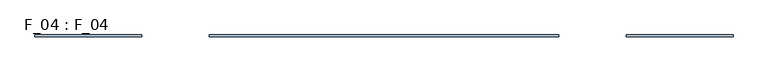
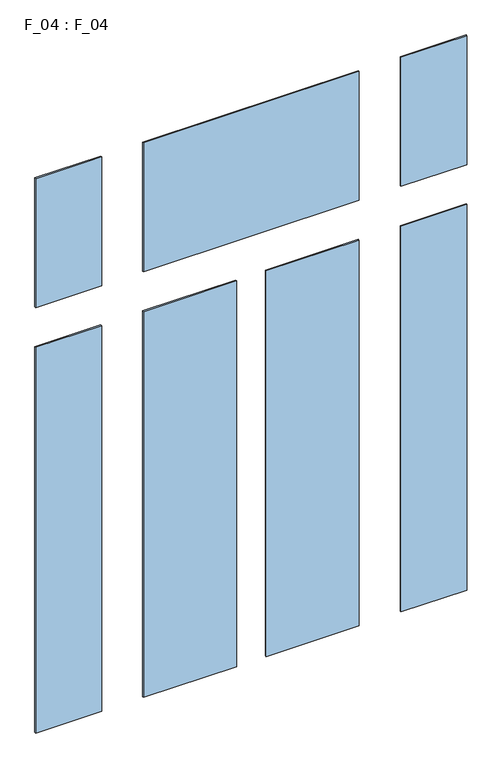
"""IFC4 building model written with IfcOpenShell, lengths in millimetres: window geometry, F_04 : F_04."""

import ifcopenshell
import ifcopenshell.guid

model = None  # the IFC model being written
_history = None  # IfcOwnerHistory: only IFC2X3 demands one
_inside = {}  # id of a spatial element -> (the spatial element, [elements in it])
_under = {}  # id of a project, library or spatial element -> (it, [spatial elements below it])
_declared = {}  # id of a project -> (the project, [libraries it declares])
_typed = {}  # id of a type object -> (the type object, [elements of that type])
_made_of = {}  # id of a material, layer set ... -> (it, [elements and type objects made of it])


def new_model(schema):
    """Start an empty IFC model of exactly this schema.

    Asked for "IFC4X3", IfcOpenShell would pick the latest addendum, in which some entities
    have other attributes; the version numbers below select the first issue.
    IFC2X3 requires an IfcOwnerHistory on every rooted entity: one is made here for all.
    """
    global model, _history
    if schema == "IFC4X3":
        model = ifcopenshell.file(schema_version=(4, 3, 0, 0))
    else:
        model = ifcopenshell.file(schema=schema)
    _inside.clear()
    _under.clear()
    _declared.clear()
    _typed.clear()
    _made_of.clear()
    _history = None
    if model.schema == "IFC2X3":
        org = make("IfcOrganization", Name="unknown")
        user = make(
            "IfcPersonAndOrganization",
            ThePerson=make("IfcPerson", FamilyName="unknown"),
            TheOrganization=org,
        )
        app = make(
            "IfcApplication",
            ApplicationDeveloper=org,
            Version="unknown",
            ApplicationFullName="unknown",
            ApplicationIdentifier="unknown",
        )
        _history = make(
            "IfcOwnerHistory",
            OwningUser=user,
            OwningApplication=app,
            ChangeAction="ADDED",
            CreationDate=0,
        )
    return model


def make(cls, **values):
    """One entity of the class cls with the attributes given. An attribute that is None is left unset."""
    return model.create_entity(
        cls, **{name: value for name, value in values.items() if value is not None}
    )


def rooted(cls, **values):
    """An entity with a GlobalId (a new one), such as an element, a storey or a relation."""
    return make(cls, GlobalId=ifcopenshell.guid.new(), OwnerHistory=_history, **values)


def si_unit(unit_type, name, prefix=None):
    """IfcSIUnit, for example si_unit("LENGTHUNIT", "METRE", prefix="MILLI")."""
    return make("IfcSIUnit", UnitType=unit_type, Prefix=prefix, Name=name)


def assignment(units):
    """IfcUnitAssignment: the units of a project."""
    return None if units is None else make("IfcUnitAssignment", Units=units)


def point(xyz):
    """IfcCartesianPoint."""
    return None if xyz is None else make("IfcCartesianPoint", Coordinates=xyz)


def direction(xyz):
    """IfcDirection."""
    return None if xyz is None else make("IfcDirection", DirectionRatios=xyz)


def frame(location, z_axis=None, x_axis=None):
    """IfcAxis2Placement3D, a coordinate frame: its origin and axes. An axis left out is left unset."""
    return make(
        "IfcAxis2Placement3D",
        Location=point(location),
        Axis=direction(z_axis),
        RefDirection=direction(x_axis),
    )


def origin():
    """The frame at (0, 0, 0) with its axes left unset."""
    return frame((0.0, 0.0, 0.0))


def place(relative_to, where):
    """IfcLocalPlacement: puts the frame where relative to a parent placement (None: the world)."""
    return make(
        "IfcLocalPlacement", PlacementRelTo=relative_to, RelativePlacement=where
    )


def context(
    kind, dimensions, precision=None, world=None, true_north=None, identifier=None
):
    """IfcGeometricRepresentationContext, for example the 3D "Model" context."""
    return make(
        "IfcGeometricRepresentationContext",
        ContextIdentifier=identifier,
        ContextType=kind,
        CoordinateSpaceDimension=dimensions,
        Precision=precision,
        WorldCoordinateSystem=world,
        TrueNorth=true_north,
    )


def project(units=None, contexts=None):
    """IfcProject with its units and contexts."""
    return rooted(
        "IfcProject",
        Name="project",
        RepresentationContexts=contexts,
        UnitsInContext=assignment(units),
    )


def spatial(cls, under=None, at=None, **own):
    """A site, building, storey or space (cls), placed at a placement, below another one or the project."""
    s = rooted(cls, ObjectPlacement=at, **own)
    if under is not None:
        _under.setdefault(under.id(), (under, []))[1].append(s)
    return s


def polyline(points):
    """IfcPolyline through the points."""
    return make("IfcPolyline", Points=[point(p) for p in points])


def outline(outer, holes=None, kind="AREA"):
    """IfcArbitraryClosedProfileDef: a profile drawn as a closed curve; with holes, ...WithVoids."""
    if holes is None:
        return make("IfcArbitraryClosedProfileDef", ProfileType=kind, OuterCurve=outer)
    return make(
        "IfcArbitraryProfileDefWithVoids",
        ProfileType=kind,
        OuterCurve=outer,
        InnerCurves=holes,
    )


def extrude(swept, where, along, depth):
    """IfcExtrudedAreaSolid: the profile swept, set in the frame where, extruded along a direction by depth."""
    return make(
        "IfcExtrudedAreaSolid",
        SweptArea=swept,
        Position=where,
        ExtrudedDirection=direction(along),
        Depth=depth,
    )


def shape(context_of_items, identifier, shape_type, items):
    """IfcShapeRepresentation: the items that make up one representation, for example the "Body"."""
    return make(
        "IfcShapeRepresentation",
        ContextOfItems=context_of_items,
        RepresentationIdentifier=identifier,
        RepresentationType=shape_type,
        Items=items,
    )


def source(mapping_origin, context_of_items, identifier, shape_type, items):
    """IfcRepresentationMap: a shape defined once, which mapped items show again and again."""
    return make(
        "IfcRepresentationMap",
        MappingOrigin=mapping_origin,
        MappedRepresentation=shape(context_of_items, identifier, shape_type, items),
    )


def transform(
    local_origin,
    x_axis=None,
    y_axis=None,
    z_axis=None,
    scale=None,
    scale2=None,
    scale3=None,
    uniform=True,
):
    """IfcCartesianTransformationOperator3D, or its non-uniform kind. x_axis, y_axis, z_axis: its Axis1, 2, 3."""
    if uniform:
        return make(
            "IfcCartesianTransformationOperator3D",
            Axis1=direction(x_axis),
            Axis2=direction(y_axis),
            LocalOrigin=point(local_origin),
            Scale=scale,
            Axis3=direction(z_axis),
        )
    return make(
        "IfcCartesianTransformationOperator3DnonUniform",
        Axis1=direction(x_axis),
        Axis2=direction(y_axis),
        LocalOrigin=point(local_origin),
        Scale=scale,
        Axis3=direction(z_axis),
        Scale2=scale2,
        Scale3=scale3,
    )


def mapped(mapping_source, mapping_target):
    """IfcMappedItem: shows the shape of a source again, moved by a transform."""
    return make(
        "IfcMappedItem", MappingSource=mapping_source, MappingTarget=mapping_target
    )


def made_of(thing, what):
    """Note that an element or type object is made of a material, layer set ...; save() writes the relation."""
    if what is not None:
        _made_of.setdefault(what.id(), (what, []))[1].append(thing)
    return thing


def element(
    cls,
    number,
    at=None,
    inside=None,
    cuts=None,
    type_object=None,
    material=None,
    context=None,
    identifier="Body",
    shape_type=None,
    held_by="IfcProductDefinitionShape",
    body=None,
    shapes=None,
    **own,
):
    """One element of the class cls, such as IfcWall. Its Tag is "e" and its number.

    at: its placement. inside: the storey or other place that contains it. cuts: it is an
    opening in that element (IfcRelVoidsElement). A single representation is given by context,
    identifier, shape_type and body (its items); several are given by shapes. held_by: the class
    of the entity that holds the representations. save() writes the other relations.
    """
    e = rooted(cls, Tag="e%d" % number, ObjectPlacement=at, **own)
    if body is not None:
        shapes = [shape(context, identifier, shape_type, body)]
    if shapes is not None:
        e.Representation = make(held_by, Representations=shapes)
    if inside is not None:
        _inside.setdefault(inside.id(), (inside, []))[1].append(e)
    if cuts is not None:
        rooted(
            "IfcRelVoidsElement", RelatingBuildingElement=cuts, RelatedOpeningElement=e
        )
    if type_object is not None:
        _typed.setdefault(type_object.id(), (type_object, []))[1].append(e)
    return made_of(e, material)


def aggregate(whole, parts):
    """IfcRelAggregates: a whole, such as a stair, and the parts it consists of."""
    return rooted("IfcRelAggregates", RelatingObject=whole, RelatedObjects=parts)


def save(model, path):
    """Write the relations noted so far, then the file.

    IfcRelAggregates (storeys below a building ...), IfcRelContainedInSpatialStructure (elements
    in a storey), IfcRelDefinesByType, IfcRelAssociatesMaterial and IfcRelDeclares: one each for
    every whole, place, type object, material and project.
    """
    for whole, parts in _under.values():
        aggregate(whole, parts)
    for where, things in _inside.values():
        rooted(
            "IfcRelContainedInSpatialStructure",
            RelatedElements=things,
            RelatingStructure=where,
        )
    for kind, things in _typed.values():
        rooted("IfcRelDefinesByType", RelatedObjects=things, RelatingType=kind)
    for what, things in _made_of.values():
        rooted("IfcRelAssociatesMaterial", RelatedObjects=things, RelatingMaterial=what)
    for by, libraries in _declared.values():
        rooted("IfcRelDeclares", RelatingContext=by, RelatedDefinitions=libraries)
    model.write(path)


def f_04_f_04_1bfac7c2(model_context):
    return source(origin(), model_context, "Body", "SweptSolid", [
        extrude(outline(polyline([(-499.9999997, -52.0), (-720.0, -52.0), (-720.0, -48.0), (-499.9999997, -48.0), (-499.9999997, -52.0)])), frame((0.0, 0.0, 1835.0), z_axis=(0.0, 0.0, 1.0), x_axis=(1.0, 0.0, 0.0)), (0.0, 0.0, 1.0), 1360.0000007),
        extrude(outline(polyline([(-49.9999997, -52.0), (-360.0000003, -52.0), (-360.0000003, -48.0), (-49.9999997, -48.0), (-49.9999997, -52.0)])), frame((0.0, 0.0, 1835.0), z_axis=(0.0, 0.0, 1.0), x_axis=(1.0, 0.0, 0.0)), (0.0, 0.0, 1.0), 1360.0000007),
        extrude(outline(polyline([(360.0000003, -52.0), (49.9999997, -52.0), (49.9999997, -48.0), (360.0000003, -48.0), (360.0000003, -52.0)])), frame((0.0, 0.0, 1835.0), z_axis=(0.0, 0.0, 1.0), x_axis=(1.0, 0.0, 0.0)), (0.0, 0.0, 1.0), 1360.0000007),
        extrude(outline(polyline([(720.0, -52.0), (499.9999997, -52.0), (499.9999997, -48.0), (720.0, -48.0), (720.0, -52.0)])), frame((0.0, 0.0, 1835.0), z_axis=(0.0, 0.0, 1.0), x_axis=(1.0, 0.0, 0.0)), (0.0, 0.0, 1.0), 1360.0000007),
        extrude(outline(polyline([(-500.0, -52.0), (-719.9999997, -52.0), (-719.9999997, -48.0), (-500.0, -48.0), (-500.0, -52.0)])), frame((0.0, 0.0, 3335.0000003), z_axis=(0.0, 0.0, 1.0), x_axis=(1.0, 0.0, 0.0)), (0.0, 0.0, 1.0), 454.9999997),
        extrude(outline(polyline([(360.0, -52.0), (-360.0, -52.0), (-360.0, -48.0), (360.0, -48.0), (360.0, -52.0)])), frame((0.0, 0.0, 3335.0000003), z_axis=(0.0, 0.0, 1.0), x_axis=(1.0, 0.0, 0.0)), (0.0, 0.0, 1.0), 454.9999997),
        extrude(outline(polyline([(719.9999997, -52.0), (500.0, -52.0), (500.0, -48.0), (719.9999997, -48.0), (719.9999997, -52.0)])), frame((0.0, 0.0, 3335.0000003), z_axis=(0.0, 0.0, 1.0), x_axis=(1.0, 0.0, 0.0)), (0.0, 0.0, 1.0), 454.9999997),
    ])


if __name__ == "__main__":
    model = new_model("IFC4")
    model_context = context("Model", 3, world=origin())
    ifc_project = project(units=[si_unit("LENGTHUNIT", "METRE", prefix="MILLI")], contexts=[model_context])
    site = spatial("IfcSite", under=ifc_project)
    building = spatial("IfcBuilding", under=site)
    placement = place(None, origin())
    f_04_f_04_shape = f_04_f_04_1bfac7c2(model_context)
    element("IfcWindow", 1, ObjectType="F_04 : F_04", at=placement, inside=building, context=model_context, shape_type="MappedRepresentation", body=[
        mapped(f_04_f_04_shape, transform((0.0, 0.0, 0.0), x_axis=(1.0, 0.0, 0.0), y_axis=(0.0, 1.0, 0.0), z_axis=(0.0, 0.0, 1.0))),
    ])
    save(model, "model.ifc")
